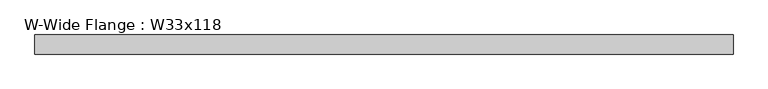
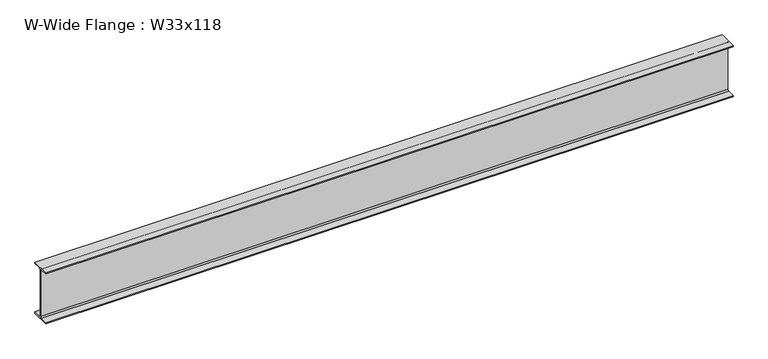
"""IFC4 building model written with IfcOpenShell, lengths in millimetres: beam geometry, W-Wide Flange : W33x118."""

from ifc_helpers import new_model, si_unit, point, frame, frame_2d, origin, place, context, project, spatial, polyline, circle_curve, trimmed, segment, composite_curve, outline, extrude, source, transform, mapped, element, save


def w_wide_flange_w33x118_7444da6e(model_context):
    return source(origin(), model_context, "Body", "SweptSolid", [
        extrude(outline(composite_curve([segment(polyline([(146.05, -399.034), (146.05, -417.83), (-146.05, -417.83), (-146.05, -399.034), (-29.464, -399.034)]), True, "CONTINUOUS"), segment(trimmed(circle_curve(frame_2d((-29.464, -376.555)), 22.479), [point((-29.464, -399.034))], [point((-6.985, -376.555))], True, "CARTESIAN"), True, "CONTINUOUS"), segment(polyline([(-6.985, -376.555), (-6.985, 376.555)]), True, "CONTINUOUS"), segment(trimmed(circle_curve(frame_2d((-29.464, 376.555)), 22.479), [point((-6.985, 376.555))], [point((-29.464, 399.034))], True, "CARTESIAN"), True, "CONTINUOUS"), segment(polyline([(-29.464, 399.034), (-146.05, 399.034), (-146.05, 417.83), (146.05, 417.83), (146.05, 399.034), (29.464, 399.034)]), True, "CONTINUOUS"), segment(trimmed(circle_curve(frame_2d((29.464, 376.555)), 22.479), [point((29.464, 399.034))], [point((6.985, 376.555))], True, "CARTESIAN"), True, "CONTINUOUS"), segment(polyline([(6.985, 376.555), (6.985, -376.555)]), True, "CONTINUOUS"), segment(trimmed(circle_curve(frame_2d((29.464, -376.555)), 22.479), [point((6.985, -376.555))], [point((29.464, -399.034))], True, "CARTESIAN"), True, "CONTINUOUS"), segment(polyline([(29.464, -399.034), (146.05, -399.034)]), True, "CONTINUOUS")], self_intersect=False)), frame((-5320.03, 0.0, 0.0), z_axis=(1.0, 0.0, 0.0), x_axis=(0.0, 1.0, 0.0)), (0.0, 0.0, 1.0), 10640.06),
    ])


if __name__ == "__main__":
    model = new_model("IFC4")
    model_context = context("Model", 3, world=origin())
    ifc_project = project(units=[si_unit("LENGTHUNIT", "METRE", prefix="MILLI")], contexts=[model_context])
    site = spatial("IfcSite", under=ifc_project)
    building = spatial("IfcBuilding", under=site)
    placement = place(None, origin())
    w_wide_flange_w33x118_shape = w_wide_flange_w33x118_7444da6e(model_context)
    element("IfcBeam", 1, ObjectType="W-Wide Flange : W33x118", at=placement, inside=building, context=model_context, shape_type="MappedRepresentation", body=[
        mapped(w_wide_flange_w33x118_shape, transform((0.0, 0.0, 0.0), x_axis=(1.0, 0.0, 0.0), y_axis=(0.0, 1.0, 0.0), z_axis=(0.0, 0.0, 1.0))),
    ])
    save(model, "model.ifc")
